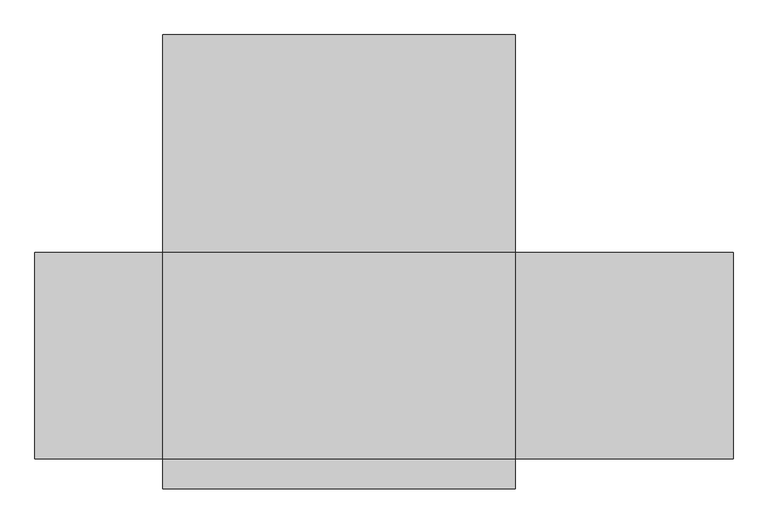
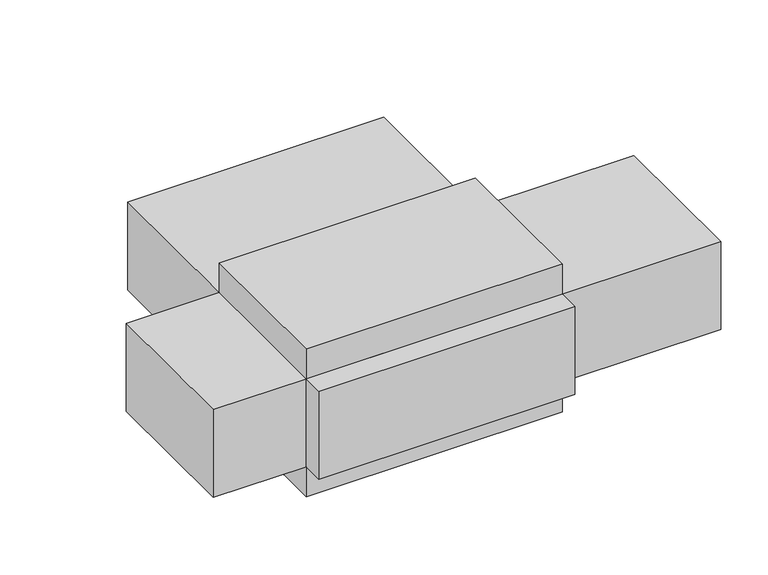
"""IFC4 building model written with IfcOpenShell, lengths in millimetres: proxy geometry."""

from ifc_helpers import new_model, si_unit, point, frame, frame_2d, origin, origin_with_axes, place, context, project, spatial, polyline, circle_curve, trimmed, segment, composite_curve, outline, extrude, source, transform, mapped, element, save
from ifc_brep_helpers import plane_surface, cylinder_surface, advanced_brep


def mechanical_equipment_47db8cab(model_context):
    return source(origin(), model_context, "Body", "SolidModel", [
        extrude(outline(composite_curve([segment(trimmed(circle_curve(frame_2d((222.25, -342.10625)), 3.175), [point((222.25, -345.28125))], [point((222.25, -338.93125))], False, "CARTESIAN"), True, "CONTINUOUS"), segment(trimmed(circle_curve(frame_2d((222.25, -342.10625)), 3.175), [point((222.25, -338.93125))], [point((222.25, -345.28125))], False, "CARTESIAN"), True, "CONTINUOUS")], self_intersect=False)), frame((0.0, 291.30625, 0.0), z_axis=(0.0, 1.0, 0.0), x_axis=(0.0, 0.0, 1.0)), (0.0, 0.0, 1.0), 95.25),
        extrude(outline(composite_curve([segment(trimmed(circle_curve(frame_2d((222.25, -342.10625)), 9.525), [point((222.25, -332.58125))], [point((222.25, -351.63125))], False, "CARTESIAN"), True, "CONTINUOUS"), segment(trimmed(circle_curve(frame_2d((222.25, -342.10625)), 9.525), [point((222.25, -351.63125))], [point((222.25, -332.58125))], False, "CARTESIAN"), True, "CONTINUOUS")], self_intersect=False)), frame((0.0, 265.90625, 0.0), z_axis=(0.0, 1.0, 0.0), x_axis=(0.0, 0.0, 1.0)), (0.0, 0.0, 1.0), 25.4),
        advanced_brep(
        [(634.20625, 153.19375, 174.625), (634.20625, 181.76875, 174.625), (615.15625, 178.59375, 174.625), (615.15625, 156.36875, 174.625), (618.33125, 181.76875, 174.625), (618.33125, 153.19375, 174.625), (618.33125, 178.59375, 174.625), (618.33125, 156.36875, 174.625)],
        [
            (0, 1, circle_curve(frame((634.20625, 167.48125, 174.625), z_axis=(1.0, 0.0, 0.0), x_axis=(0.0, 1.0, 0.0)), 14.2875)),
            (1, 0, circle_curve(frame((634.20625, 167.48125, 174.625), z_axis=(1.0, 0.0, 0.0), x_axis=(0.0, 1.0, 0.0)), 14.2875)),
            (2, 3, circle_curve(frame((615.15625, 167.48125, 174.625), z_axis=(-1.0, 0.0, 0.0), x_axis=(0.0, -1.0, 0.0)), 11.1125)),
            (3, 2, circle_curve(frame((615.15625, 167.48125, 174.625), z_axis=(-1.0, 0.0, 0.0), x_axis=(0.0, -1.0, 0.0)), 11.1125)),
            (1, 4),
            (4, 5, circle_curve(frame((618.33125, 167.48125, 174.625), z_axis=(1.0, 0.0, 0.0), x_axis=(0.0, 1.0, 0.0)), 14.2875)),
            (5, 0),
            (5, 4, circle_curve(frame((618.33125, 167.48125, 174.625), z_axis=(1.0, 0.0, 0.0), x_axis=(0.0, 1.0, 0.0)), 14.2875)),
            (6, 7, circle_curve(frame((618.33125, 167.48125, 174.625), z_axis=(1.0, 0.0, 0.0), x_axis=(0.0, -1.0, 0.0)), 11.1125)),
            (7, 6, circle_curve(frame((618.33125, 167.48125, 174.625), z_axis=(1.0, 0.0, 0.0), x_axis=(0.0, -1.0, 0.0)), 11.1125)),
            (6, 2),
            (3, 7),
        ],
        [
            plane_surface(frame((634.20625, 167.48125, 174.625), z_axis=(1.0, 0.0, 0.0), x_axis=(0.0, 0.0, 1.0))),
            plane_surface(frame((615.15625, 167.48125, 174.625), z_axis=(-1.0, 0.0, 0.0), x_axis=(0.0, 0.0, 1.0))),
            cylinder_surface(frame((634.20625, 167.48125, 174.625), z_axis=(1.0, 0.0, 0.0), x_axis=(0.0, 1.0, 0.0)), 14.2875),
            plane_surface(frame((618.33125, 167.48125, 174.625), z_axis=(-1.0, 0.0, 0.0), x_axis=(0.0, 0.0, 1.0))),
            cylinder_surface(frame((615.15625, 167.48125, 174.625), z_axis=(1.0, 0.0, 0.0), x_axis=(0.0, -1.0, 0.0)), 11.1125),
        ],
        [
            (0, [[1, 2]]),
            (1, [[3, 4]]),
            (2, [[5, 6, 7, -2]]),
            (2, [[-7, 8, -5, -1]]),
            (3, [[-8, -6], [9, 10]]),
            (4, [[11, -4, 12, -9]]),
            (4, [[-12, -3, -11, -10]]),
        ],
    ),
        extrude(outline(composite_curve([segment(trimmed(circle_curve(frame_2d((167.48125, 174.625)), 12.7), [point((154.78125, 174.625))], [point((180.18125, 174.625))], False, "CARTESIAN"), True, "CONTINUOUS"), segment(trimmed(circle_curve(frame_2d((167.48125, 174.625)), 12.7), [point((180.18125, 174.625))], [point((154.78125, 174.625))], False, "CARTESIAN"), True, "CONTINUOUS")], self_intersect=False)), frame((522.2875, 0.0, 0.0), z_axis=(1.0, 0.0, 0.0), x_axis=(0.0, 1.0, 0.0)), (0.0, 0.0, 1.0), 92.86875),
        extrude(outline(composite_curve([segment(trimmed(circle_curve(frame_2d((167.48125, 174.625)), 35.71875), [point((203.2, 174.625))], [point((131.7625, 174.625))], False, "CARTESIAN"), True, "CONTINUOUS"), segment(trimmed(circle_curve(frame_2d((167.48125, 174.625)), 35.71875), [point((131.7625, 174.625))], [point((203.2, 174.625))], False, "CARTESIAN"), True, "CONTINUOUS")], self_intersect=False)), frame((410.36875, 0.0, 0.0), z_axis=(1.0, 0.0, 0.0), x_axis=(0.0, 1.0, 0.0)), (0.0, 0.0, 1.0), 111.91875),
        advanced_brep(
        [(591.34375, -96.04375, 66.675), (591.34375, -80.16875, 66.675), (578.64375, -83.34375, 66.675), (578.64375, -92.86875, 66.675), (581.81875, -80.16875, 66.675), (581.81875, -96.04375, 66.675), (581.81875, -83.34375, 66.675), (581.81875, -92.86875, 66.675)],
        [
            (0, 1, circle_curve(frame((591.34375, -88.10625, 66.675), z_axis=(1.0, 0.0, 0.0), x_axis=(0.0, 1.0, 0.0)), 7.9375)),
            (1, 0, circle_curve(frame((591.34375, -88.10625, 66.675), z_axis=(1.0, 0.0, 0.0), x_axis=(0.0, 1.0, 0.0)), 7.9375)),
            (2, 3, circle_curve(frame((578.64375, -88.10625, 66.675), z_axis=(-1.0, 0.0, 0.0), x_axis=(0.0, -1.0, 0.0)), 4.7625)),
            (3, 2, circle_curve(frame((578.64375, -88.10625, 66.675), z_axis=(-1.0, 0.0, 0.0), x_axis=(0.0, -1.0, 0.0)), 4.7625)),
            (1, 4),
            (4, 5, circle_curve(frame((581.81875, -88.10625, 66.675), z_axis=(1.0, 0.0, 0.0), x_axis=(0.0, 1.0, 0.0)), 7.9375)),
            (5, 0),
            (5, 4, circle_curve(frame((581.81875, -88.10625, 66.675), z_axis=(1.0, 0.0, 0.0), x_axis=(0.0, 1.0, 0.0)), 7.9375)),
            (6, 7, circle_curve(frame((581.81875, -88.10625, 66.675), z_axis=(1.0, 0.0, 0.0), x_axis=(0.0, -1.0, 0.0)), 4.7625)),
            (7, 6, circle_curve(frame((581.81875, -88.10625, 66.675), z_axis=(1.0, 0.0, 0.0), x_axis=(0.0, -1.0, 0.0)), 4.7625)),
            (6, 2),
            (3, 7),
        ],
        [
            plane_surface(frame((591.34375, -88.10625, 66.675), z_axis=(1.0, 0.0, 0.0), x_axis=(0.0, 0.0, 1.0))),
            plane_surface(frame((578.64375, -88.10625, 66.675), z_axis=(-1.0, 0.0, 0.0), x_axis=(0.0, 0.0, 1.0))),
            cylinder_surface(frame((591.34375, -88.10625, 66.675), z_axis=(1.0, 0.0, 0.0), x_axis=(0.0, 1.0, 0.0)), 7.9375),
            plane_surface(frame((581.81875, -88.10625, 66.675), z_axis=(-1.0, 0.0, 0.0), x_axis=(0.0, 0.0, 1.0))),
            cylinder_surface(frame((578.64375, -88.10625, 66.675), z_axis=(1.0, 0.0, 0.0), x_axis=(0.0, -1.0, 0.0)), 4.7625),
        ],
        [
            (0, [[1, 2]]),
            (1, [[3, 4]]),
            (2, [[5, 6, 7, -2]]),
            (2, [[-7, 8, -5, -1]]),
            (3, [[-8, -6], [9, 10]]),
            (4, [[11, -4, 12, -9]]),
            (4, [[-12, -3, -11, -10]]),
        ],
    ),
        extrude(outline(composite_curve([segment(trimmed(circle_curve(frame_2d((-88.10625, 66.675)), 6.35), [point((-94.45625, 66.675))], [point((-81.75625, 66.675))], False, "CARTESIAN"), True, "CONTINUOUS"), segment(trimmed(circle_curve(frame_2d((-88.10625, 66.675)), 6.35), [point((-81.75625, 66.675))], [point((-94.45625, 66.675))], False, "CARTESIAN"), True, "CONTINUOUS")], self_intersect=False)), frame((500.85625, 0.0, 0.0), z_axis=(1.0, 0.0, 0.0), x_axis=(0.0, 1.0, 0.0)), (0.0, 0.0, 1.0), 77.7875),
        extrude(outline(composite_curve([segment(trimmed(circle_curve(frame_2d((-88.10625, 66.675)), 19.84375), [point((-68.2625, 66.675))], [point((-107.95, 66.675))], False, "CARTESIAN"), True, "CONTINUOUS"), segment(trimmed(circle_curve(frame_2d((-88.10625, 66.675)), 19.84375), [point((-107.95, 66.675))], [point((-68.2625, 66.675))], False, "CARTESIAN"), True, "CONTINUOUS")], self_intersect=False)), frame((410.36875, 0.0, 0.0), z_axis=(1.0, 0.0, 0.0), x_axis=(0.0, 1.0, 0.0)), (0.0, 0.0, 1.0), 90.4875),
        extrude(outline(polyline([(-410.36875, 240.50625), (410.36875, 240.50625), (410.36875, -240.50625), (-410.36875, -240.50625), (-410.36875, 240.50625)])), frame((0.0, 0.0, 298.45), z_axis=(0.0, 0.0, 1.0), x_axis=(1.0, 0.0, 0.0)), (0.0, 0.0, 1.0), 101.6),
        extrude(outline(polyline([(-410.36875, 240.50625), (410.36875, 240.50625), (410.36875, -240.50625), (-410.36875, -240.50625), (-410.36875, 240.50625)])), frame((0.0, 0.0, -101.6), z_axis=(0.0, 0.0, 1.0), x_axis=(1.0, 0.0, 0.0)), (0.0, 0.0, 1.0), 101.6),
        extrude(outline(polyline([(-410.36875, 240.50625), (-410.36875, -240.50625), (-708.81875, -240.50625), (-708.81875, 240.50625), (-410.36875, 240.50625)])), origin_with_axes(), (0.0, 0.0, 1.0), 298.45),
        extrude(outline(polyline([(918.36875, 240.50625), (918.36875, -240.50625), (410.36875, -240.50625), (410.36875, 240.50625), (918.36875, 240.50625)])), origin_with_axes(), (0.0, 0.0, 1.0), 298.45),
        extrude(outline(polyline([(410.36875, 748.50625), (410.36875, 240.50625), (-410.36875, 240.50625), (-410.36875, 748.50625), (410.36875, 748.50625)])), origin_with_axes(), (0.0, 0.0, 1.0), 298.45),
        extrude(outline(polyline([(410.36875, -240.50625), (410.36875, -310.35625), (-410.36875, -310.35625), (-410.36875, -240.50625), (410.36875, -240.50625)])), origin_with_axes(), (0.0, 0.0, 1.0), 298.45),
        extrude(outline(polyline([(410.36875, 240.50625), (410.36875, -240.50625), (-410.36875, -240.50625), (-410.36875, 240.50625), (410.36875, 240.50625)])), origin_with_axes(), (0.0, 0.0, 1.0), 298.45),
    ])


if __name__ == "__main__":
    model = new_model("IFC4")
    model_context = context("Model", 3, world=origin())
    ifc_project = project(units=[si_unit("LENGTHUNIT", "METRE", prefix="MILLI")], contexts=[model_context])
    site = spatial("IfcSite", under=ifc_project)
    building = spatial("IfcBuilding", under=site)
    placement = place(None, origin())
    mechanical_equipment_shape = mechanical_equipment_47db8cab(model_context)
    element("IfcBuildingElementProxy", 1, Name="Mechanical Equipment", at=placement, inside=building, context=model_context, shape_type="MappedRepresentation", body=[
        mapped(mechanical_equipment_shape, transform((0.0, 0.0, 0.0), x_axis=(1.0, 0.0, 0.0), y_axis=(0.0, 1.0, 0.0), z_axis=(0.0, 0.0, 1.0))),
    ])
    save(model, "model.ifc")
